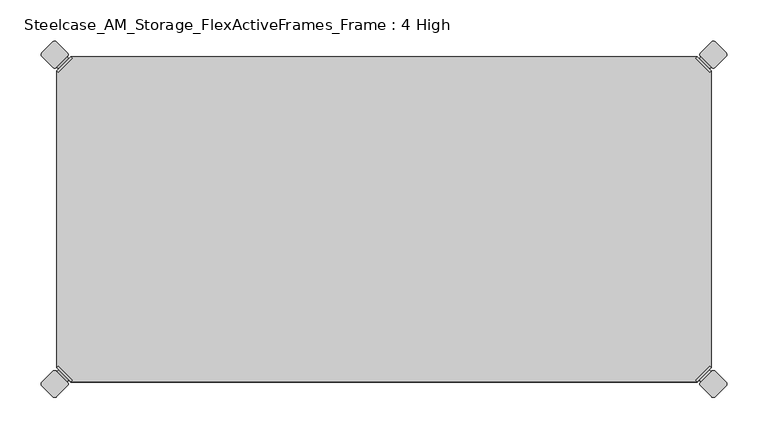
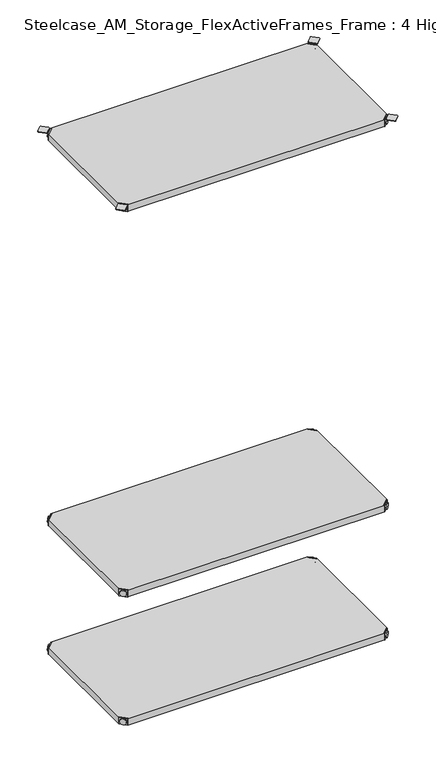
"""IFC4 building model written with IfcOpenShell, lengths in millimetres: furniture geometry, Steelcase_AM_Storage_FlexActiveFrames_Frame : 4 High."""

from ifc_helpers import new_model, si_unit, point, frame, frame_2d, origin, place, context, project, spatial, polyline, circle_curve, trimmed, segment, composite_curve, outline, extrude, source, transform, mapped, element, save
from ifc_brep_helpers import plane_surface, cylinder_surface, advanced_brep


def steelcase_am_storage_flexactiveframes_frame_4_high_809b5d3f(model_context):
    return source(origin(), model_context, "Body", "SolidModel", [
        advanced_brep(
        [(2.54, -380.2870969, 520.2936), (19.7629031, -397.51, 520.2936), (21.5589544, -395.7139488, 520.2936), (4.3360512, -378.4910456, 520.2936), (2.54, -380.2870969, 498.9576), (19.7629031, -397.51, 498.9576), (4.8652723, -382.6123691, 510.1336), (17.4376309, -395.1847277, 510.1336), (30.2920522, -352.5350447, 499.9736), (4.3360512, -378.4910456, 499.9736), (21.5589544, -395.7139488, 499.9736), (47.5149553, -369.7579478, 499.9736), (30.2920522, -352.5350447, 498.9576), (47.5149553, -369.7579478, 498.9576), (15.1227513, -397.4996073, 510.1336), (2.5503927, -384.9272487, 510.1336)],
        [
            (0, 1),
            (1, 2),
            (2, 3),
            (3, 0),
            (0, 4),
            (4, 5),
            (5, 1),
            (6, 7, circle_curve(frame((11.1514516, -388.8985484, 510.1336), z_axis=(0.7071067811865446, 0.7071067811865505, 0.0), x_axis=(-0.7071067811865505, 0.7071067811865446, 0.0)), 8.89)),
            (7, 6, circle_curve(frame((11.1514516, -388.8985484, 510.1336), z_axis=(0.7071067811865446, 0.7071067811865505, 0.0), x_axis=(-0.7071067811865505, 0.7071067811865446, 0.0)), 8.89)),
            (8, 9),
            (9, 10),
            (10, 11),
            (11, 8, circle_curve(frame((38.9035037, -361.1464963, 499.9736), z_axis=(0.0, 0.0, 1.0), x_axis=(1.0, 0.0, 0.0)), 12.1784316)),
            (12, 13, circle_curve(frame((38.9035037, -361.1464963, 498.9576), z_axis=(0.0, 0.0, -1.0), x_axis=(1.0, 0.0, 0.0)), 12.1784316)),
            (13, 5),
            (4, 12),
            (14, 15, circle_curve(frame((8.836572, -391.213428, 510.1336), z_axis=(-0.7071067811865446, -0.7071067811865505, 0.0), x_axis=(-0.7071067811865505, 0.7071067811865446, 0.0)), 8.89)),
            (15, 14, circle_curve(frame((8.836572, -391.213428, 510.1336), z_axis=(-0.7071067811865446, -0.7071067811865505, 0.0), x_axis=(-0.7071067811865505, 0.7071067811865446, 0.0)), 8.89)),
            (15, 6),
            (7, 14),
            (2, 10),
            (9, 3),
            (11, 13),
            (12, 8),
        ],
        [
            plane_surface(frame((-19.6579872, -402.485084, 520.2936), z_axis=(0.0, 0.0, 1.0000000000000002), x_axis=(0.7071067811865436, 0.7071067811865516, 0.0))),
            plane_surface(frame((19.7629031, -397.51, 520.2936), z_axis=(-0.7071067811865447, -0.7071067811865503, 0.0), x_axis=(0.0, 0.0, -1.0))),
            plane_surface(frame((51.0819353, -361.1464963, 499.9736), z_axis=(0.0, 0.0, 1.0), x_axis=(0.0, -1.0, 0.0))),
            plane_surface(frame((51.0819353, -361.1464963, 498.9576), z_axis=(0.0, 0.0, -1.0), x_axis=(0.0, 1.0, 0.0))),
            plane_surface(frame((2.5503927, -384.9272487, 510.1336), z_axis=(-0.7071067811865446, -0.7071067811865505, 0.0), x_axis=(0.0, 0.0, 1.0))),
            cylinder_surface(frame((11.1514516, -388.8985484, 510.1336), z_axis=(-0.7071067811865446, -0.7071067811865505, 0.0), x_axis=(-0.7071067811865505, 0.7071067811865446, 0.0)), 8.89),
            plane_surface(frame((4.3360512, -378.4910456, 520.2936), z_axis=(0.7071067811865447, 0.7071067811865503, 0.0), x_axis=(0.0, 0.0, -1.0))),
            cylinder_surface(frame((38.9035037, -361.1464963, 498.9576), z_axis=(0.0, 0.0, 1.0), x_axis=(1.0, 0.0, 0.0)), 12.1784316),
            plane_surface(frame((2.54, -380.2870969, 520.2936), z_axis=(-0.7071067811865516, 0.7071067811865436, 0.0), x_axis=(0.0, 0.0, -1.0))),
            plane_surface(frame((21.5589544, -395.7139488, 520.2936), z_axis=(0.7071067811865513, -0.7071067811865437, 0.0), x_axis=(0.0, 0.0, -1.0))),
        ],
        [
            (0, [[1, 2, 3, 4]]),
            (1, [[5, 6, 7, -1], [8, 9]]),
            (2, [[10, 11, 12, 13]]),
            (3, [[14, 15, -6, 16]]),
            (4, [[17, 18]]),
            (5, [[19, -9, 20, -18]]),
            (5, [[-20, -8, -19, -17]]),
            (6, [[21, -11, 22, -3]]),
            (7, [[23, -14, 24, -13]]),
            (8, [[-22, -10, -24, -16, -5, -4]]),
            (9, [[-7, -15, -23, -12, -21, -2]]),
        ],
    ),
        advanced_brep(
        [(797.56, -380.2870969, 520.2936), (795.7639488, -378.4910456, 520.2936), (778.5410456, -395.7139488, 520.2936), (780.3370969, -397.51, 520.2936), (780.3370969, -397.51, 498.9576), (797.56, -380.2870969, 498.9576), (795.2347277, -382.6123691, 510.1336), (782.6623691, -395.1847277, 510.1336), (769.8079478, -352.5350447, 499.9736), (752.5850447, -369.7579478, 499.9736), (778.5410456, -395.7139488, 499.9736), (795.7639488, -378.4910456, 499.9736), (769.8079478, -352.5350447, 498.9576), (752.5850447, -369.7579478, 498.9576), (784.9772487, -397.4996073, 510.1336), (797.5496073, -384.9272487, 510.1336)],
        [
            (0, 1),
            (1, 2),
            (2, 3),
            (3, 0),
            (3, 4),
            (4, 5),
            (5, 0),
            (6, 7, circle_curve(frame((788.9485484, -388.8985484, 510.1336), z_axis=(-0.7071067811865446, 0.7071067811865505, 0.0), x_axis=(0.7071067811865505, 0.7071067811865446, 0.0)), 8.89)),
            (7, 6, circle_curve(frame((788.9485484, -388.8985484, 510.1336), z_axis=(-0.7071067811865446, 0.7071067811865505, 0.0), x_axis=(0.7071067811865505, 0.7071067811865446, 0.0)), 8.89)),
            (8, 9, circle_curve(frame((761.1964963, -361.1464963, 499.9736), z_axis=(0.0, 0.0, 1.0), x_axis=(-1.0, 0.0, 0.0)), 12.1784316)),
            (9, 10),
            (10, 11),
            (11, 8),
            (12, 5),
            (4, 13),
            (13, 12, circle_curve(frame((761.1964963, -361.1464963, 498.9576), z_axis=(0.0, 0.0, -1.0), x_axis=(-1.0, 0.0, 0.0)), 12.1784316)),
            (14, 15, circle_curve(frame((791.263428, -391.213428, 510.1336), z_axis=(0.7071067811865446, -0.7071067811865505, 0.0), x_axis=(0.7071067811865505, 0.7071067811865446, 0.0)), 8.89)),
            (15, 14, circle_curve(frame((791.263428, -391.213428, 510.1336), z_axis=(0.7071067811865446, -0.7071067811865505, 0.0), x_axis=(0.7071067811865505, 0.7071067811865446, 0.0)), 8.89)),
            (14, 7),
            (6, 15),
            (1, 11),
            (10, 2),
            (8, 12),
            (13, 9),
        ],
        [
            plane_surface(frame((819.7579872, -402.485084, 520.2936), z_axis=(0.0, 0.0, 1.0000000000000002), x_axis=(-0.7071067811865436, 0.7071067811865516, 0.0))),
            plane_surface(frame((780.3370969, -397.51, 520.2936), z_axis=(0.7071067811865447, -0.7071067811865503, 0.0), x_axis=(0.0, 0.0, -1.0))),
            plane_surface(frame((749.0180647, -361.1464963, 499.9736), z_axis=(0.0, 0.0, 1.0), x_axis=(0.0, -1.0, 0.0))),
            plane_surface(frame((749.0180647, -361.1464963, 498.9576), z_axis=(0.0, 0.0, -1.0), x_axis=(0.0, 1.0, 0.0))),
            plane_surface(frame((797.5496073, -384.9272487, 510.1336), z_axis=(0.7071067811865446, -0.7071067811865505, 0.0), x_axis=(0.0, 0.0, 1.0))),
            cylinder_surface(frame((788.9485484, -388.8985484, 510.1336), z_axis=(0.7071067811865446, -0.7071067811865505, 0.0), x_axis=(0.7071067811865505, 0.7071067811865446, 0.0)), 8.89),
            plane_surface(frame((795.7639488, -378.4910456, 520.2936), z_axis=(-0.7071067811865447, 0.7071067811865503, 0.0), x_axis=(0.0, 0.0, -1.0))),
            cylinder_surface(frame((761.1964963, -361.1464963, 498.9576), z_axis=(0.0, 0.0, 1.0), x_axis=(-1.0, 0.0, 0.0)), 12.1784316),
            plane_surface(frame((797.56, -380.2870969, 520.2936), z_axis=(0.7071067811865516, 0.7071067811865436, 0.0), x_axis=(0.0, 0.0, -1.0))),
            plane_surface(frame((778.5410456, -395.7139488, 520.2936), z_axis=(-0.7071067811865513, -0.7071067811865437, 0.0), x_axis=(0.0, 0.0, -1.0))),
        ],
        [
            (0, [[1, 2, 3, 4]]),
            (1, [[-4, 5, 6, 7], [8, 9]]),
            (2, [[10, 11, 12, 13]]),
            (3, [[14, -6, 15, 16]]),
            (4, [[17, 18]]),
            (5, [[-17, 19, -8, 20]]),
            (5, [[-18, -20, -9, -19]]),
            (6, [[-2, 21, -12, 22]]),
            (7, [[-10, 23, -16, 24]]),
            (8, [[-1, -7, -14, -23, -13, -21]]),
            (9, [[-3, -22, -11, -24, -15, -5]]),
        ],
    ),
        advanced_brep(
        [(797.56, -19.7629031, 520.2936), (780.3370969, -2.54, 520.2936), (778.5410456, -4.3360512, 520.2936), (795.7639488, -21.5589544, 520.2936), (797.56, -19.7629031, 498.9576), (780.3370969, -2.54, 498.9576), (795.2347277, -17.4376309, 510.1336), (782.6623691, -4.8652723, 510.1336), (769.8079478, -47.5149553, 499.9736), (795.7639488, -21.5589544, 499.9736), (778.5410456, -4.3360512, 499.9736), (752.5850447, -30.2920522, 499.9736), (769.8079478, -47.5149553, 498.9576), (752.5850447, -30.2920522, 498.9576), (784.9772487, -2.5503927, 510.1336), (797.5496073, -15.1227513, 510.1336)],
        [
            (0, 1),
            (1, 2),
            (2, 3),
            (3, 0),
            (0, 4),
            (4, 5),
            (5, 1),
            (6, 7, circle_curve(frame((788.9485484, -11.1514516, 510.1336), z_axis=(-0.7071067811865469, -0.7071067811865481, 0.0), x_axis=(0.7071067811865481, -0.7071067811865469, 0.0)), 8.89)),
            (7, 6, circle_curve(frame((788.9485484, -11.1514516, 510.1336), z_axis=(-0.7071067811865469, -0.7071067811865481, 0.0), x_axis=(0.7071067811865481, -0.7071067811865469, 0.0)), 8.89)),
            (8, 9),
            (9, 10),
            (10, 11),
            (11, 8, circle_curve(frame((761.1964963, -38.9035037, 499.9736), z_axis=(0.0, 0.0, 1.0), x_axis=(-1.0, 0.0, 0.0)), 12.1784316)),
            (12, 13, circle_curve(frame((761.1964963, -38.9035037, 498.9576), z_axis=(0.0, 0.0, -1.0), x_axis=(-1.0, 0.0, 0.0)), 12.1784316)),
            (13, 5),
            (4, 12),
            (14, 15, circle_curve(frame((791.263428, -8.836572, 510.1336), z_axis=(0.7071067811865469, 0.7071067811865481, 0.0), x_axis=(0.7071067811865481, -0.7071067811865469, 0.0)), 8.89)),
            (15, 14, circle_curve(frame((791.263428, -8.836572, 510.1336), z_axis=(0.7071067811865469, 0.7071067811865481, 0.0), x_axis=(0.7071067811865481, -0.7071067811865469, 0.0)), 8.89)),
            (15, 6),
            (7, 14),
            (2, 10),
            (9, 3),
            (11, 13),
            (12, 8),
        ],
        [
            plane_surface(frame((819.7579872, 2.435084, 520.2936), z_axis=(0.0, 0.0, 1.0000000000000002), x_axis=(-0.7071067811865459, -0.7071067811865492, 0.0))),
            plane_surface(frame((780.3370969, -2.54, 520.2936), z_axis=(0.707106781186547, 0.707106781186548, 0.0), x_axis=(0.0, 0.0, -1.0))),
            plane_surface(frame((749.0180647, -38.9035037, 499.9736), z_axis=(0.0, 0.0, 1.0), x_axis=(0.0, 1.0, 0.0))),
            plane_surface(frame((749.0180647, -38.9035037, 498.9576), z_axis=(0.0, 0.0, -1.0), x_axis=(0.0, -1.0, 0.0))),
            plane_surface(frame((797.5496073, -15.1227513, 510.1336), z_axis=(0.7071067811865469, 0.7071067811865481, 0.0), x_axis=(0.0, 0.0, 1.0))),
            cylinder_surface(frame((788.9485484, -11.1514516, 510.1336), z_axis=(0.7071067811865469, 0.7071067811865481, 0.0), x_axis=(0.7071067811865481, -0.7071067811865469, 0.0)), 8.89),
            plane_surface(frame((795.7639488, -21.5589544, 520.2936), z_axis=(-0.707106781186547, -0.707106781186548, 0.0), x_axis=(0.0, 0.0, -1.0))),
            cylinder_surface(frame((761.1964963, -38.9035037, 498.9576), z_axis=(0.0, 0.0, 1.0), x_axis=(-1.0, 0.0, 0.0)), 12.1784316),
            plane_surface(frame((797.56, -19.7629031, 520.2936), z_axis=(0.7071067811865492, -0.7071067811865459, 0.0), x_axis=(0.0, 0.0, -1.0))),
            plane_surface(frame((778.5410456, -4.3360512, 520.2936), z_axis=(-0.707106781186549, 0.707106781186546, 0.0), x_axis=(0.0, 0.0, -1.0))),
        ],
        [
            (0, [[1, 2, 3, 4]]),
            (1, [[5, 6, 7, -1], [8, 9]]),
            (2, [[10, 11, 12, 13]]),
            (3, [[14, 15, -6, 16]]),
            (4, [[17, 18]]),
            (5, [[19, -9, 20, -18]]),
            (5, [[-20, -8, -19, -17]]),
            (6, [[21, -11, 22, -3]]),
            (7, [[23, -14, 24, -13]]),
            (8, [[-22, -10, -24, -16, -5, -4]]),
            (9, [[-7, -15, -23, -12, -21, -2]]),
        ],
    ),
        advanced_brep(
        [(2.54, -19.7629031, 520.2936), (4.3360512, -21.5589544, 520.2936), (21.5589544, -4.3360512, 520.2936), (19.7629031, -2.54, 520.2936), (19.7629031, -2.54, 498.9576), (2.54, -19.7629031, 498.9576), (4.8652723, -17.4376309, 510.1336), (17.4376309, -4.8652723, 510.1336), (30.2920522, -47.5149553, 499.9736), (47.5149553, -30.2920522, 499.9736), (21.5589544, -4.3360512, 499.9736), (4.3360512, -21.5589544, 499.9736), (30.2920522, -47.5149553, 498.9576), (47.5149553, -30.2920522, 498.9576), (15.1227513, -2.5503927, 510.1336), (2.5503927, -15.1227513, 510.1336)],
        [
            (0, 1),
            (1, 2),
            (2, 3),
            (3, 0),
            (3, 4),
            (4, 5),
            (5, 0),
            (6, 7, circle_curve(frame((11.1514516, -11.1514516, 510.1336), z_axis=(0.7071067811865469, -0.7071067811865481, 0.0), x_axis=(-0.7071067811865481, -0.7071067811865469, 0.0)), 8.89)),
            (7, 6, circle_curve(frame((11.1514516, -11.1514516, 510.1336), z_axis=(0.7071067811865469, -0.7071067811865481, 0.0), x_axis=(-0.7071067811865481, -0.7071067811865469, 0.0)), 8.89)),
            (8, 9, circle_curve(frame((38.9035037, -38.9035037, 499.9736), z_axis=(0.0, 0.0, 1.0), x_axis=(1.0, 0.0, 0.0)), 12.1784316)),
            (9, 10),
            (10, 11),
            (11, 8),
            (12, 5),
            (4, 13),
            (13, 12, circle_curve(frame((38.9035037, -38.9035037, 498.9576), z_axis=(0.0, 0.0, -1.0), x_axis=(1.0, 0.0, 0.0)), 12.1784316)),
            (14, 15, circle_curve(frame((8.836572, -8.836572, 510.1336), z_axis=(-0.7071067811865469, 0.7071067811865481, 0.0), x_axis=(-0.7071067811865481, -0.7071067811865469, 0.0)), 8.89)),
            (15, 14, circle_curve(frame((8.836572, -8.836572, 510.1336), z_axis=(-0.7071067811865469, 0.7071067811865481, 0.0), x_axis=(-0.7071067811865481, -0.7071067811865469, 0.0)), 8.89)),
            (14, 7),
            (6, 15),
            (1, 11),
            (10, 2),
            (8, 12),
            (13, 9),
        ],
        [
            plane_surface(frame((-19.6579872, 2.435084, 520.2936), z_axis=(0.0, 0.0, 1.0000000000000002), x_axis=(0.7071067811865459, -0.7071067811865492, 0.0))),
            plane_surface(frame((19.7629031, -2.54, 520.2936), z_axis=(-0.707106781186547, 0.707106781186548, 0.0), x_axis=(0.0, 0.0, -1.0))),
            plane_surface(frame((51.0819353, -38.9035037, 499.9736), z_axis=(0.0, 0.0, 1.0), x_axis=(0.0, 1.0, 0.0))),
            plane_surface(frame((51.0819353, -38.9035037, 498.9576), z_axis=(0.0, 0.0, -1.0), x_axis=(0.0, -1.0, 0.0))),
            plane_surface(frame((2.5503927, -15.1227513, 510.1336), z_axis=(-0.7071067811865469, 0.7071067811865481, 0.0), x_axis=(0.0, 0.0, 1.0))),
            cylinder_surface(frame((11.1514516, -11.1514516, 510.1336), z_axis=(-0.7071067811865469, 0.7071067811865481, 0.0), x_axis=(-0.7071067811865481, -0.7071067811865469, 0.0)), 8.89),
            plane_surface(frame((4.3360512, -21.5589544, 520.2936), z_axis=(0.707106781186547, -0.707106781186548, 0.0), x_axis=(0.0, 0.0, -1.0))),
            cylinder_surface(frame((38.9035037, -38.9035037, 498.9576), z_axis=(0.0, 0.0, 1.0), x_axis=(1.0, 0.0, 0.0)), 12.1784316),
            plane_surface(frame((2.54, -19.7629031, 520.2936), z_axis=(-0.7071067811865492, -0.7071067811865459, 0.0), x_axis=(0.0, 0.0, -1.0))),
            plane_surface(frame((21.5589544, -4.3360512, 520.2936), z_axis=(0.707106781186549, 0.707106781186546, 0.0), x_axis=(0.0, 0.0, -1.0))),
        ],
        [
            (0, [[1, 2, 3, 4]]),
            (1, [[-4, 5, 6, 7], [8, 9]]),
            (2, [[10, 11, 12, 13]]),
            (3, [[14, -6, 15, 16]]),
            (4, [[17, 18]]),
            (5, [[-17, 19, -8, 20]]),
            (5, [[-18, -20, -9, -19]]),
            (6, [[-2, 21, -12, 22]]),
            (7, [[-10, 23, -16, 24]]),
            (8, [[-1, -7, -14, -23, -13, -21]]),
            (9, [[-3, -22, -11, -24, -15, -5]]),
        ],
    ),
        extrude(outline(polyline([(19.7629031, -2.54), (780.3370969, -2.54), (778.5410456, -4.3360512), (795.7639488, -21.5589544), (797.56, -19.7629031), (797.56, -380.2870969), (795.7639488, -378.4910456), (778.5410456, -395.7139488), (780.3370969, -397.51), (19.7629031, -397.51), (21.5589544, -395.7139488), (4.3360512, -378.4910456), (2.54, -380.2870969), (2.54, -19.7629031), (4.3360512, -21.5589544), (21.5589544, -4.3360512), (19.7629031, -2.54)])), frame((0.0, 0.0, 499.9736), z_axis=(0.0, 0.0, 1.0), x_axis=(1.0, 0.0, 0.0)), (0.0, 0.0, 1.0), 20.32),
        advanced_brep(
        [(2.54, -380.2870969, 1725.93), (19.7629031, -397.51, 1725.93), (21.5589544, -395.7139488, 1725.93), (4.3360512, -378.4910456, 1725.93), (2.54, -380.2870969, 1704.594), (19.7629031, -397.51, 1704.594), (4.8652723, -382.6123691, 1715.77), (17.4376309, -395.1847277, 1715.77), (30.2920522, -352.5350447, 1705.61), (4.3360512, -378.4910456, 1705.61), (21.5589544, -395.7139488, 1705.61), (47.5149553, -369.7579478, 1705.61), (30.2920522, -352.5350447, 1704.594), (47.5149553, -369.7579478, 1704.594), (15.1227513, -397.4996073, 1715.77), (2.5503927, -384.9272487, 1715.77)],
        [
            (0, 1),
            (1, 2),
            (2, 3),
            (3, 0),
            (0, 4),
            (4, 5),
            (5, 1),
            (6, 7, circle_curve(frame((11.1514516, -388.8985484, 1715.77), z_axis=(0.7071067811865446, 0.7071067811865505, 0.0), x_axis=(-0.7071067811865505, 0.7071067811865446, 0.0)), 8.89)),
            (7, 6, circle_curve(frame((11.1514516, -388.8985484, 1715.77), z_axis=(0.7071067811865446, 0.7071067811865505, 0.0), x_axis=(-0.7071067811865505, 0.7071067811865446, 0.0)), 8.89)),
            (8, 9),
            (9, 10),
            (10, 11),
            (11, 8, circle_curve(frame((38.9035037, -361.1464963, 1705.61), z_axis=(0.0, 0.0, 1.0), x_axis=(1.0, 0.0, 0.0)), 12.1784316)),
            (12, 13, circle_curve(frame((38.9035037, -361.1464963, 1704.594), z_axis=(0.0, 0.0, -1.0), x_axis=(1.0, 0.0, 0.0)), 12.1784316)),
            (13, 5),
            (4, 12),
            (14, 15, circle_curve(frame((8.836572, -391.213428, 1715.77), z_axis=(-0.7071067811865446, -0.7071067811865505, 0.0), x_axis=(-0.7071067811865505, 0.7071067811865446, 0.0)), 8.89)),
            (15, 14, circle_curve(frame((8.836572, -391.213428, 1715.77), z_axis=(-0.7071067811865446, -0.7071067811865505, 0.0), x_axis=(-0.7071067811865505, 0.7071067811865446, 0.0)), 8.89)),
            (15, 6),
            (7, 14),
            (2, 10),
            (9, 3),
            (11, 13),
            (12, 8),
        ],
        [
            plane_surface(frame((-19.6579872, -402.485084, 1725.93), z_axis=(0.0, 0.0, 1.0000000000000002), x_axis=(0.7071067811865436, 0.7071067811865516, 0.0))),
            plane_surface(frame((19.7629031, -397.51, 1725.93), z_axis=(-0.7071067811865447, -0.7071067811865503, 0.0), x_axis=(0.0, 0.0, -1.0))),
            plane_surface(frame((51.0819353, -361.1464963, 1705.61), z_axis=(0.0, 0.0, 1.0), x_axis=(0.0, -1.0, 0.0))),
            plane_surface(frame((51.0819353, -361.1464963, 1704.594), z_axis=(0.0, 0.0, -1.0), x_axis=(0.0, 1.0, 0.0))),
            plane_surface(frame((2.5503927, -384.9272487, 1715.77), z_axis=(-0.7071067811865446, -0.7071067811865505, 0.0), x_axis=(0.0, 0.0, 1.0))),
            cylinder_surface(frame((11.1514516, -388.8985484, 1715.77), z_axis=(-0.7071067811865446, -0.7071067811865505, 0.0), x_axis=(-0.7071067811865505, 0.7071067811865446, 0.0)), 8.89),
            plane_surface(frame((4.3360512, -378.4910456, 1725.93), z_axis=(0.7071067811865447, 0.7071067811865503, 0.0), x_axis=(0.0, 0.0, -1.0))),
            cylinder_surface(frame((38.9035037, -361.1464963, 1704.594), z_axis=(0.0, 0.0, 1.0), x_axis=(1.0, 0.0, 0.0)), 12.1784316),
            plane_surface(frame((2.54, -380.2870969, 1725.93), z_axis=(-0.7071067811865516, 0.7071067811865436, 0.0), x_axis=(0.0, 0.0, -1.0))),
            plane_surface(frame((21.5589544, -395.7139488, 1725.93), z_axis=(0.7071067811865513, -0.7071067811865437, 0.0), x_axis=(0.0, 0.0, -1.0))),
        ],
        [
            (0, [[1, 2, 3, 4]]),
            (1, [[5, 6, 7, -1], [8, 9]]),
            (2, [[10, 11, 12, 13]]),
            (3, [[14, 15, -6, 16]]),
            (4, [[17, 18]]),
            (5, [[19, -9, 20, -18]]),
            (5, [[-20, -8, -19, -17]]),
            (6, [[21, -11, 22, -3]]),
            (7, [[23, -14, 24, -13]]),
            (8, [[-22, -10, -24, -16, -5, -4]]),
            (9, [[-7, -15, -23, -12, -21, -2]]),
        ],
    ),
        advanced_brep(
        [(797.56, -380.2870969, 1725.93), (795.7639488, -378.4910456, 1725.93), (778.5410456, -395.7139488, 1725.93), (780.3370969, -397.51, 1725.93), (780.3370969, -397.51, 1704.594), (797.56, -380.2870969, 1704.594), (795.2347277, -382.6123691, 1715.77), (782.6623691, -395.1847277, 1715.77), (769.8079478, -352.5350447, 1705.61), (752.5850447, -369.7579478, 1705.61), (778.5410456, -395.7139488, 1705.61), (795.7639488, -378.4910456, 1705.61), (769.8079478, -352.5350447, 1704.594), (752.5850447, -369.7579478, 1704.594), (784.9772487, -397.4996073, 1715.77), (797.5496073, -384.9272487, 1715.77)],
        [
            (0, 1),
            (1, 2),
            (2, 3),
            (3, 0),
            (3, 4),
            (4, 5),
            (5, 0),
            (6, 7, circle_curve(frame((788.9485484, -388.8985484, 1715.77), z_axis=(-0.7071067811865446, 0.7071067811865505, 0.0), x_axis=(0.7071067811865505, 0.7071067811865446, 0.0)), 8.89)),
            (7, 6, circle_curve(frame((788.9485484, -388.8985484, 1715.77), z_axis=(-0.7071067811865446, 0.7071067811865505, 0.0), x_axis=(0.7071067811865505, 0.7071067811865446, 0.0)), 8.89)),
            (8, 9, circle_curve(frame((761.1964963, -361.1464963, 1705.61), z_axis=(0.0, 0.0, 1.0), x_axis=(-1.0, 0.0, 0.0)), 12.1784316)),
            (9, 10),
            (10, 11),
            (11, 8),
            (12, 5),
            (4, 13),
            (13, 12, circle_curve(frame((761.1964963, -361.1464963, 1704.594), z_axis=(0.0, 0.0, -1.0), x_axis=(-1.0, 0.0, 0.0)), 12.1784316)),
            (14, 15, circle_curve(frame((791.263428, -391.213428, 1715.77), z_axis=(0.7071067811865446, -0.7071067811865505, 0.0), x_axis=(0.7071067811865505, 0.7071067811865446, 0.0)), 8.89)),
            (15, 14, circle_curve(frame((791.263428, -391.213428, 1715.77), z_axis=(0.7071067811865446, -0.7071067811865505, 0.0), x_axis=(0.7071067811865505, 0.7071067811865446, 0.0)), 8.89)),
            (14, 7),
            (6, 15),
            (1, 11),
            (10, 2),
            (8, 12),
            (13, 9),
        ],
        [
            plane_surface(frame((819.7579872, -402.485084, 1725.93), z_axis=(0.0, 0.0, 1.0000000000000002), x_axis=(-0.7071067811865436, 0.7071067811865516, 0.0))),
            plane_surface(frame((780.3370969, -397.51, 1725.93), z_axis=(0.7071067811865447, -0.7071067811865503, 0.0), x_axis=(0.0, 0.0, -1.0))),
            plane_surface(frame((749.0180647, -361.1464963, 1705.61), z_axis=(0.0, 0.0, 1.0), x_axis=(0.0, -1.0, 0.0))),
            plane_surface(frame((749.0180647, -361.1464963, 1704.594), z_axis=(0.0, 0.0, -1.0), x_axis=(0.0, 1.0, 0.0))),
            plane_surface(frame((797.5496073, -384.9272487, 1715.77), z_axis=(0.7071067811865446, -0.7071067811865505, 0.0), x_axis=(0.0, 0.0, 1.0))),
            cylinder_surface(frame((788.9485484, -388.8985484, 1715.77), z_axis=(0.7071067811865446, -0.7071067811865505, 0.0), x_axis=(0.7071067811865505, 0.7071067811865446, 0.0)), 8.89),
            plane_surface(frame((795.7639488, -378.4910456, 1725.93), z_axis=(-0.7071067811865447, 0.7071067811865503, 0.0), x_axis=(0.0, 0.0, -1.0))),
            cylinder_surface(frame((761.1964963, -361.1464963, 1704.594), z_axis=(0.0, 0.0, 1.0), x_axis=(-1.0, 0.0, 0.0)), 12.1784316),
            plane_surface(frame((797.56, -380.2870969, 1725.93), z_axis=(0.7071067811865516, 0.7071067811865436, 0.0), x_axis=(0.0, 0.0, -1.0))),
            plane_surface(frame((778.5410456, -395.7139488, 1725.93), z_axis=(-0.7071067811865513, -0.7071067811865437, 0.0), x_axis=(0.0, 0.0, -1.0))),
        ],
        [
            (0, [[1, 2, 3, 4]]),
            (1, [[-4, 5, 6, 7], [8, 9]]),
            (2, [[10, 11, 12, 13]]),
            (3, [[14, -6, 15, 16]]),
            (4, [[17, 18]]),
            (5, [[-17, 19, -8, 20]]),
            (5, [[-18, -20, -9, -19]]),
            (6, [[-2, 21, -12, 22]]),
            (7, [[-10, 23, -16, 24]]),
            (8, [[-1, -7, -14, -23, -13, -21]]),
            (9, [[-3, -22, -11, -24, -15, -5]]),
        ],
    ),
        advanced_brep(
        [(797.56, -19.7629031, 1725.93), (780.3370969, -2.54, 1725.93), (778.5410456, -4.3360512, 1725.93), (795.7639488, -21.5589544, 1725.93), (797.56, -19.7629031, 1704.594), (780.3370969, -2.54, 1704.594), (795.2347277, -17.4376309, 1715.77), (782.6623691, -4.8652723, 1715.77), (769.8079478, -47.5149553, 1705.61), (795.7639488, -21.5589544, 1705.61), (778.5410456, -4.3360512, 1705.61), (752.5850447, -30.2920522, 1705.61), (769.8079478, -47.5149553, 1704.594), (752.5850447, -30.2920522, 1704.594), (784.9772487, -2.5503927, 1715.77), (797.5496073, -15.1227513, 1715.77)],
        [
            (0, 1),
            (1, 2),
            (2, 3),
            (3, 0),
            (0, 4),
            (4, 5),
            (5, 1),
            (6, 7, circle_curve(frame((788.9485484, -11.1514516, 1715.77), z_axis=(-0.7071067811865469, -0.7071067811865481, 0.0), x_axis=(0.7071067811865481, -0.7071067811865469, 0.0)), 8.89)),
            (7, 6, circle_curve(frame((788.9485484, -11.1514516, 1715.77), z_axis=(-0.7071067811865469, -0.7071067811865481, 0.0), x_axis=(0.7071067811865481, -0.7071067811865469, 0.0)), 8.89)),
            (8, 9),
            (9, 10),
            (10, 11),
            (11, 8, circle_curve(frame((761.1964963, -38.9035037, 1705.61), z_axis=(0.0, 0.0, 1.0), x_axis=(-1.0, 0.0, 0.0)), 12.1784316)),
            (12, 13, circle_curve(frame((761.1964963, -38.9035037, 1704.594), z_axis=(0.0, 0.0, -1.0), x_axis=(-1.0, 0.0, 0.0)), 12.1784316)),
            (13, 5),
            (4, 12),
            (14, 15, circle_curve(frame((791.263428, -8.836572, 1715.77), z_axis=(0.7071067811865469, 0.7071067811865481, 0.0), x_axis=(0.7071067811865481, -0.7071067811865469, 0.0)), 8.89)),
            (15, 14, circle_curve(frame((791.263428, -8.836572, 1715.77), z_axis=(0.7071067811865469, 0.7071067811865481, 0.0), x_axis=(0.7071067811865481, -0.7071067811865469, 0.0)), 8.89)),
            (15, 6),
            (7, 14),
            (2, 10),
            (9, 3),
            (11, 13),
            (12, 8),
        ],
        [
            plane_surface(frame((819.7579872, 2.435084, 1725.93), z_axis=(0.0, 0.0, 1.0000000000000002), x_axis=(-0.7071067811865459, -0.7071067811865492, 0.0))),
            plane_surface(frame((780.3370969, -2.54, 1725.93), z_axis=(0.707106781186547, 0.707106781186548, 0.0), x_axis=(0.0, 0.0, -1.0))),
            plane_surface(frame((749.0180647, -38.9035037, 1705.61), z_axis=(0.0, 0.0, 1.0), x_axis=(0.0, 1.0, 0.0))),
            plane_surface(frame((749.0180647, -38.9035037, 1704.594), z_axis=(0.0, 0.0, -1.0), x_axis=(0.0, -1.0, 0.0))),
            plane_surface(frame((797.5496073, -15.1227513, 1715.77), z_axis=(0.7071067811865469, 0.7071067811865481, 0.0), x_axis=(0.0, 0.0, 1.0))),
            cylinder_surface(frame((788.9485484, -11.1514516, 1715.77), z_axis=(0.7071067811865469, 0.7071067811865481, 0.0), x_axis=(0.7071067811865481, -0.7071067811865469, 0.0)), 8.89),
            plane_surface(frame((795.7639488, -21.5589544, 1725.93), z_axis=(-0.707106781186547, -0.707106781186548, 0.0), x_axis=(0.0, 0.0, -1.0))),
            cylinder_surface(frame((761.1964963, -38.9035037, 1704.594), z_axis=(0.0, 0.0, 1.0), x_axis=(-1.0, 0.0, 0.0)), 12.1784316),
            plane_surface(frame((797.56, -19.7629031, 1725.93), z_axis=(0.7071067811865492, -0.7071067811865459, 0.0), x_axis=(0.0, 0.0, -1.0))),
            plane_surface(frame((778.5410456, -4.3360512, 1725.93), z_axis=(-0.707106781186549, 0.707106781186546, 0.0), x_axis=(0.0, 0.0, -1.0))),
        ],
        [
            (0, [[1, 2, 3, 4]]),
            (1, [[5, 6, 7, -1], [8, 9]]),
            (2, [[10, 11, 12, 13]]),
            (3, [[14, 15, -6, 16]]),
            (4, [[17, 18]]),
            (5, [[19, -9, 20, -18]]),
            (5, [[-20, -8, -19, -17]]),
            (6, [[21, -11, 22, -3]]),
            (7, [[23, -14, 24, -13]]),
            (8, [[-22, -10, -24, -16, -5, -4]]),
            (9, [[-7, -15, -23, -12, -21, -2]]),
        ],
    ),
        advanced_brep(
        [(2.54, -19.7629031, 1725.93), (4.3360512, -21.5589544, 1725.93), (21.5589544, -4.3360512, 1725.93), (19.7629031, -2.54, 1725.93), (19.7629031, -2.54, 1704.594), (2.54, -19.7629031, 1704.594), (4.8652723, -17.4376309, 1715.77), (17.4376309, -4.8652723, 1715.77), (30.2920522, -47.5149553, 1705.61), (47.5149553, -30.2920522, 1705.61), (21.5589544, -4.3360512, 1705.61), (4.3360512, -21.5589544, 1705.61), (30.2920522, -47.5149553, 1704.594), (47.5149553, -30.2920522, 1704.594), (15.1227513, -2.5503927, 1715.77), (2.5503927, -15.1227513, 1715.77)],
        [
            (0, 1),
            (1, 2),
            (2, 3),
            (3, 0),
            (3, 4),
            (4, 5),
            (5, 0),
            (6, 7, circle_curve(frame((11.1514516, -11.1514516, 1715.77), z_axis=(0.7071067811865469, -0.7071067811865481, 0.0), x_axis=(-0.7071067811865481, -0.7071067811865469, 0.0)), 8.89)),
            (7, 6, circle_curve(frame((11.1514516, -11.1514516, 1715.77), z_axis=(0.7071067811865469, -0.7071067811865481, 0.0), x_axis=(-0.7071067811865481, -0.7071067811865469, 0.0)), 8.89)),
            (8, 9, circle_curve(frame((38.9035037, -38.9035037, 1705.61), z_axis=(0.0, 0.0, 1.0), x_axis=(1.0, 0.0, 0.0)), 12.1784316)),
            (9, 10),
            (10, 11),
            (11, 8),
            (12, 5),
            (4, 13),
            (13, 12, circle_curve(frame((38.9035037, -38.9035037, 1704.594), z_axis=(0.0, 0.0, -1.0), x_axis=(1.0, 0.0, 0.0)), 12.1784316)),
            (14, 15, circle_curve(frame((8.836572, -8.836572, 1715.77), z_axis=(-0.7071067811865469, 0.7071067811865481, 0.0), x_axis=(-0.7071067811865481, -0.7071067811865469, 0.0)), 8.89)),
            (15, 14, circle_curve(frame((8.836572, -8.836572, 1715.77), z_axis=(-0.7071067811865469, 0.7071067811865481, 0.0), x_axis=(-0.7071067811865481, -0.7071067811865469, 0.0)), 8.89)),
            (14, 7),
            (6, 15),
            (1, 11),
            (10, 2),
            (8, 12),
            (13, 9),
        ],
        [
            plane_surface(frame((-19.6579872, 2.435084, 1725.93), z_axis=(0.0, 0.0, 1.0000000000000002), x_axis=(0.7071067811865459, -0.7071067811865492, 0.0))),
            plane_surface(frame((19.7629031, -2.54, 1725.93), z_axis=(-0.707106781186547, 0.707106781186548, 0.0), x_axis=(0.0, 0.0, -1.0))),
            plane_surface(frame((51.0819353, -38.9035037, 1705.61), z_axis=(0.0, 0.0, 1.0), x_axis=(0.0, 1.0, 0.0))),
            plane_surface(frame((51.0819353, -38.9035037, 1704.594), z_axis=(0.0, 0.0, -1.0), x_axis=(0.0, -1.0, 0.0))),
            plane_surface(frame((2.5503927, -15.1227513, 1715.77), z_axis=(-0.7071067811865469, 0.7071067811865481, 0.0), x_axis=(0.0, 0.0, 1.0))),
            cylinder_surface(frame((11.1514516, -11.1514516, 1715.77), z_axis=(-0.7071067811865469, 0.7071067811865481, 0.0), x_axis=(-0.7071067811865481, -0.7071067811865469, 0.0)), 8.89),
            plane_surface(frame((4.3360512, -21.5589544, 1725.93), z_axis=(0.707106781186547, -0.707106781186548, 0.0), x_axis=(0.0, 0.0, -1.0))),
            cylinder_surface(frame((38.9035037, -38.9035037, 1704.594), z_axis=(0.0, 0.0, 1.0), x_axis=(1.0, 0.0, 0.0)), 12.1784316),
            plane_surface(frame((2.54, -19.7629031, 1725.93), z_axis=(-0.7071067811865492, -0.7071067811865459, 0.0), x_axis=(0.0, 0.0, -1.0))),
            plane_surface(frame((21.5589544, -4.3360512, 1725.93), z_axis=(0.707106781186549, 0.707106781186546, 0.0), x_axis=(0.0, 0.0, -1.0))),
        ],
        [
            (0, [[1, 2, 3, 4]]),
            (1, [[-4, 5, 6, 7], [8, 9]]),
            (2, [[10, 11, 12, 13]]),
            (3, [[14, -6, 15, 16]]),
            (4, [[17, 18]]),
            (5, [[-17, 19, -8, 20]]),
            (5, [[-18, -20, -9, -19]]),
            (6, [[-2, 21, -12, 22]]),
            (7, [[-10, 23, -16, 24]]),
            (8, [[-1, -7, -14, -23, -13, -21]]),
            (9, [[-3, -22, -11, -24, -15, -5]]),
        ],
    ),
        extrude(outline(polyline([(19.7629031, -2.54), (780.3370969, -2.54), (778.5410456, -4.3360512), (795.7639488, -21.5589544), (797.56, -19.7629031), (797.56, -380.2870969), (795.7639488, -378.4910456), (778.5410456, -395.7139488), (780.3370969, -397.51), (19.7629031, -397.51), (21.5589544, -395.7139488), (4.3360512, -378.4910456), (2.54, -380.2870969), (2.54, -19.7629031), (4.3360512, -21.5589544), (21.5589544, -4.3360512), (19.7629031, -2.54)])), frame((0.0, 0.0, 1705.61), z_axis=(0.0, 0.0, 1.0), x_axis=(1.0, 0.0, 0.0)), (0.0, 0.0, 1.0), 20.32),
        advanced_brep(
        [(2.54, -380.2870969, 118.9736), (19.7629031, -397.51, 118.9736), (21.5589544, -395.7139488, 118.9736), (4.3360512, -378.4910456, 118.9736), (2.54, -380.2870969, 97.6376), (19.7629031, -397.51, 97.6376), (4.8652723, -382.6123691, 108.8136), (17.4376309, -395.1847277, 108.8136), (30.2920522, -352.5350447, 98.6536), (4.3360512, -378.4910456, 98.6536), (21.5589544, -395.7139488, 98.6536), (47.5149553, -369.7579478, 98.6536), (30.2920522, -352.5350447, 97.6376), (47.5149553, -369.7579478, 97.6376), (15.1227513, -397.4996073, 108.8136), (2.5503927, -384.9272487, 108.8136)],
        [
            (0, 1),
            (1, 2),
            (2, 3),
            (3, 0),
            (0, 4),
            (4, 5),
            (5, 1),
            (6, 7, circle_curve(frame((11.1514516, -388.8985484, 108.8136), z_axis=(0.7071067811865446, 0.7071067811865505, 0.0), x_axis=(-0.7071067811865505, 0.7071067811865446, 0.0)), 8.89)),
            (7, 6, circle_curve(frame((11.1514516, -388.8985484, 108.8136), z_axis=(0.7071067811865446, 0.7071067811865505, 0.0), x_axis=(-0.7071067811865505, 0.7071067811865446, 0.0)), 8.89)),
            (8, 9),
            (9, 10),
            (10, 11),
            (11, 8, circle_curve(frame((38.9035037, -361.1464963, 98.6536), z_axis=(0.0, 0.0, 1.0), x_axis=(1.0, 0.0, 0.0)), 12.1784316)),
            (12, 13, circle_curve(frame((38.9035037, -361.1464963, 97.6376), z_axis=(0.0, 0.0, -1.0), x_axis=(1.0, 0.0, 0.0)), 12.1784316)),
            (13, 5),
            (4, 12),
            (14, 15, circle_curve(frame((8.836572, -391.213428, 108.8136), z_axis=(-0.7071067811865446, -0.7071067811865505, 0.0), x_axis=(-0.7071067811865505, 0.7071067811865446, 0.0)), 8.89)),
            (15, 14, circle_curve(frame((8.836572, -391.213428, 108.8136), z_axis=(-0.7071067811865446, -0.7071067811865505, 0.0), x_axis=(-0.7071067811865505, 0.7071067811865446, 0.0)), 8.89)),
            (15, 6),
            (7, 14),
            (2, 10),
            (9, 3),
            (11, 13),
            (12, 8),
        ],
        [
            plane_surface(frame((-19.6579872, -402.485084, 118.9736), z_axis=(0.0, 0.0, 1.0000000000000002), x_axis=(0.7071067811865436, 0.7071067811865516, 0.0))),
            plane_surface(frame((19.7629031, -397.51, 118.9736), z_axis=(-0.7071067811865447, -0.7071067811865503, 0.0), x_axis=(0.0, 0.0, -1.0))),
            plane_surface(frame((51.0819353, -361.1464963, 98.6536), z_axis=(0.0, 0.0, 1.0), x_axis=(0.0, -1.0, 0.0))),
            plane_surface(frame((51.0819353, -361.1464963, 97.6376), z_axis=(0.0, 0.0, -1.0), x_axis=(0.0, 1.0, 0.0))),
            plane_surface(frame((2.5503927, -384.9272487, 108.8136), z_axis=(-0.7071067811865446, -0.7071067811865505, 0.0), x_axis=(0.0, 0.0, 1.0))),
            cylinder_surface(frame((11.1514516, -388.8985484, 108.8136), z_axis=(-0.7071067811865446, -0.7071067811865505, 0.0), x_axis=(-0.7071067811865505, 0.7071067811865446, 0.0)), 8.89),
            plane_surface(frame((4.3360512, -378.4910456, 118.9736), z_axis=(0.7071067811865447, 0.7071067811865503, 0.0), x_axis=(0.0, 0.0, -1.0))),
            cylinder_surface(frame((38.9035037, -361.1464963, 97.6376), z_axis=(0.0, 0.0, 1.0), x_axis=(1.0, 0.0, 0.0)), 12.1784316),
            plane_surface(frame((2.54, -380.2870969, 118.9736), z_axis=(-0.7071067811865516, 0.7071067811865436, 0.0), x_axis=(0.0, 0.0, -1.0))),
            plane_surface(frame((21.5589544, -395.7139488, 118.9736), z_axis=(0.7071067811865513, -0.7071067811865437, 0.0), x_axis=(0.0, 0.0, -1.0))),
        ],
        [
            (0, [[1, 2, 3, 4]]),
            (1, [[5, 6, 7, -1], [8, 9]]),
            (2, [[10, 11, 12, 13]]),
            (3, [[14, 15, -6, 16]]),
            (4, [[17, 18]]),
            (5, [[19, -9, 20, -18]]),
            (5, [[-20, -8, -19, -17]]),
            (6, [[21, -11, 22, -3]]),
            (7, [[23, -14, 24, -13]]),
            (8, [[-22, -10, -24, -16, -5, -4]]),
            (9, [[-7, -15, -23, -12, -21, -2]]),
        ],
    ),
        advanced_brep(
        [(797.56, -380.2870969, 118.9736), (795.7639488, -378.4910456, 118.9736), (778.5410456, -395.7139488, 118.9736), (780.3370969, -397.51, 118.9736), (780.3370969, -397.51, 97.6376), (797.56, -380.2870969, 97.6376), (795.2347277, -382.6123691, 108.8136), (782.6623691, -395.1847277, 108.8136), (769.8079478, -352.5350447, 98.6536), (752.5850447, -369.7579478, 98.6536), (778.5410456, -395.7139488, 98.6536), (795.7639488, -378.4910456, 98.6536), (769.8079478, -352.5350447, 97.6376), (752.5850447, -369.7579478, 97.6376), (784.9772487, -397.4996073, 108.8136), (797.5496073, -384.9272487, 108.8136)],
        [
            (0, 1),
            (1, 2),
            (2, 3),
            (3, 0),
            (3, 4),
            (4, 5),
            (5, 0),
            (6, 7, circle_curve(frame((788.9485484, -388.8985484, 108.8136), z_axis=(-0.7071067811865446, 0.7071067811865505, 0.0), x_axis=(0.7071067811865505, 0.7071067811865446, 0.0)), 8.89)),
            (7, 6, circle_curve(frame((788.9485484, -388.8985484, 108.8136), z_axis=(-0.7071067811865446, 0.7071067811865505, 0.0), x_axis=(0.7071067811865505, 0.7071067811865446, 0.0)), 8.89)),
            (8, 9, circle_curve(frame((761.1964963, -361.1464963, 98.6536), z_axis=(0.0, 0.0, 1.0), x_axis=(-1.0, 0.0, 0.0)), 12.1784316)),
            (9, 10),
            (10, 11),
            (11, 8),
            (12, 5),
            (4, 13),
            (13, 12, circle_curve(frame((761.1964963, -361.1464963, 97.6376), z_axis=(0.0, 0.0, -1.0), x_axis=(-1.0, 0.0, 0.0)), 12.1784316)),
            (14, 15, circle_curve(frame((791.263428, -391.213428, 108.8136), z_axis=(0.7071067811865446, -0.7071067811865505, 0.0), x_axis=(0.7071067811865505, 0.7071067811865446, 0.0)), 8.89)),
            (15, 14, circle_curve(frame((791.263428, -391.213428, 108.8136), z_axis=(0.7071067811865446, -0.7071067811865505, 0.0), x_axis=(0.7071067811865505, 0.7071067811865446, 0.0)), 8.89)),
            (14, 7),
            (6, 15),
            (1, 11),
            (10, 2),
            (8, 12),
            (13, 9),
        ],
        [
            plane_surface(frame((819.7579872, -402.485084, 118.9736), z_axis=(0.0, 0.0, 1.0000000000000002), x_axis=(-0.7071067811865436, 0.7071067811865516, 0.0))),
            plane_surface(frame((780.3370969, -397.51, 118.9736), z_axis=(0.7071067811865447, -0.7071067811865503, 0.0), x_axis=(0.0, 0.0, -1.0))),
            plane_surface(frame((749.0180647, -361.1464963, 98.6536), z_axis=(0.0, 0.0, 1.0), x_axis=(0.0, -1.0, 0.0))),
            plane_surface(frame((749.0180647, -361.1464963, 97.6376), z_axis=(0.0, 0.0, -1.0), x_axis=(0.0, 1.0, 0.0))),
            plane_surface(frame((797.5496073, -384.9272487, 108.8136), z_axis=(0.7071067811865446, -0.7071067811865505, 0.0), x_axis=(0.0, 0.0, 1.0))),
            cylinder_surface(frame((788.9485484, -388.8985484, 108.8136), z_axis=(0.7071067811865446, -0.7071067811865505, 0.0), x_axis=(0.7071067811865505, 0.7071067811865446, 0.0)), 8.89),
            plane_surface(frame((795.7639488, -378.4910456, 118.9736), z_axis=(-0.7071067811865447, 0.7071067811865503, 0.0), x_axis=(0.0, 0.0, -1.0))),
            cylinder_surface(frame((761.1964963, -361.1464963, 97.6376), z_axis=(0.0, 0.0, 1.0), x_axis=(-1.0, 0.0, 0.0)), 12.1784316),
            plane_surface(frame((797.56, -380.2870969, 118.9736), z_axis=(0.7071067811865516, 0.7071067811865436, 0.0), x_axis=(0.0, 0.0, -1.0))),
            plane_surface(frame((778.5410456, -395.7139488, 118.9736), z_axis=(-0.7071067811865513, -0.7071067811865437, 0.0), x_axis=(0.0, 0.0, -1.0))),
        ],
        [
            (0, [[1, 2, 3, 4]]),
            (1, [[-4, 5, 6, 7], [8, 9]]),
            (2, [[10, 11, 12, 13]]),
            (3, [[14, -6, 15, 16]]),
            (4, [[17, 18]]),
            (5, [[-17, 19, -8, 20]]),
            (5, [[-18, -20, -9, -19]]),
            (6, [[-2, 21, -12, 22]]),
            (7, [[-10, 23, -16, 24]]),
            (8, [[-1, -7, -14, -23, -13, -21]]),
            (9, [[-3, -22, -11, -24, -15, -5]]),
        ],
    ),
        advanced_brep(
        [(797.56, -19.7629031, 118.9736), (780.3370969, -2.54, 118.9736), (778.5410456, -4.3360512, 118.9736), (795.7639488, -21.5589544, 118.9736), (797.56, -19.7629031, 97.6376), (780.3370969, -2.54, 97.6376), (795.2347277, -17.4376309, 108.8136), (782.6623691, -4.8652723, 108.8136), (769.8079478, -47.5149553, 98.6536), (795.7639488, -21.5589544, 98.6536), (778.5410456, -4.3360512, 98.6536), (752.5850447, -30.2920522, 98.6536), (769.8079478, -47.5149553, 97.6376), (752.5850447, -30.2920522, 97.6376), (784.9772487, -2.5503927, 108.8136), (797.5496073, -15.1227513, 108.8136)],
        [
            (0, 1),
            (1, 2),
            (2, 3),
            (3, 0),
            (0, 4),
            (4, 5),
            (5, 1),
            (6, 7, circle_curve(frame((788.9485484, -11.1514516, 108.8136), z_axis=(-0.7071067811865469, -0.7071067811865481, 0.0), x_axis=(0.7071067811865481, -0.7071067811865469, 0.0)), 8.89)),
            (7, 6, circle_curve(frame((788.9485484, -11.1514516, 108.8136), z_axis=(-0.7071067811865469, -0.7071067811865481, 0.0), x_axis=(0.7071067811865481, -0.7071067811865469, 0.0)), 8.89)),
            (8, 9),
            (9, 10),
            (10, 11),
            (11, 8, circle_curve(frame((761.1964963, -38.9035037, 98.6536), z_axis=(0.0, 0.0, 1.0), x_axis=(-1.0, 0.0, 0.0)), 12.1784316)),
            (12, 13, circle_curve(frame((761.1964963, -38.9035037, 97.6376), z_axis=(0.0, 0.0, -1.0), x_axis=(-1.0, 0.0, 0.0)), 12.1784316)),
            (13, 5),
            (4, 12),
            (14, 15, circle_curve(frame((791.263428, -8.836572, 108.8136), z_axis=(0.7071067811865469, 0.7071067811865481, 0.0), x_axis=(0.7071067811865481, -0.7071067811865469, 0.0)), 8.89)),
            (15, 14, circle_curve(frame((791.263428, -8.836572, 108.8136), z_axis=(0.7071067811865469, 0.7071067811865481, 0.0), x_axis=(0.7071067811865481, -0.7071067811865469, 0.0)), 8.89)),
            (15, 6),
            (7, 14),
            (2, 10),
            (9, 3),
            (11, 13),
            (12, 8),
        ],
        [
            plane_surface(frame((819.7579872, 2.435084, 118.9736), z_axis=(0.0, 0.0, 1.0000000000000002), x_axis=(-0.7071067811865459, -0.7071067811865492, 0.0))),
            plane_surface(frame((780.3370969, -2.54, 118.9736), z_axis=(0.707106781186547, 0.707106781186548, 0.0), x_axis=(0.0, 0.0, -1.0))),
            plane_surface(frame((749.0180647, -38.9035037, 98.6536), z_axis=(0.0, 0.0, 1.0), x_axis=(0.0, 1.0, 0.0))),
            plane_surface(frame((749.0180647, -38.9035037, 97.6376), z_axis=(0.0, 0.0, -1.0), x_axis=(0.0, -1.0, 0.0))),
            plane_surface(frame((797.5496073, -15.1227513, 108.8136), z_axis=(0.7071067811865469, 0.7071067811865481, 0.0), x_axis=(0.0, 0.0, 1.0))),
            cylinder_surface(frame((788.9485484, -11.1514516, 108.8136), z_axis=(0.7071067811865469, 0.7071067811865481, 0.0), x_axis=(0.7071067811865481, -0.7071067811865469, 0.0)), 8.89),
            plane_surface(frame((795.7639488, -21.5589544, 118.9736), z_axis=(-0.707106781186547, -0.707106781186548, 0.0), x_axis=(0.0, 0.0, -1.0))),
            cylinder_surface(frame((761.1964963, -38.9035037, 97.6376), z_axis=(0.0, 0.0, 1.0), x_axis=(-1.0, 0.0, 0.0)), 12.1784316),
            plane_surface(frame((797.56, -19.7629031, 118.9736), z_axis=(0.7071067811865492, -0.7071067811865459, 0.0), x_axis=(0.0, 0.0, -1.0))),
            plane_surface(frame((778.5410456, -4.3360512, 118.9736), z_axis=(-0.707106781186549, 0.707106781186546, 0.0), x_axis=(0.0, 0.0, -1.0))),
        ],
        [
            (0, [[1, 2, 3, 4]]),
            (1, [[5, 6, 7, -1], [8, 9]]),
            (2, [[10, 11, 12, 13]]),
            (3, [[14, 15, -6, 16]]),
            (4, [[17, 18]]),
            (5, [[19, -9, 20, -18]]),
            (5, [[-20, -8, -19, -17]]),
            (6, [[21, -11, 22, -3]]),
            (7, [[23, -14, 24, -13]]),
            (8, [[-22, -10, -24, -16, -5, -4]]),
            (9, [[-7, -15, -23, -12, -21, -2]]),
        ],
    ),
        advanced_brep(
        [(2.54, -19.7629031, 118.9736), (4.3360512, -21.5589544, 118.9736), (21.5589544, -4.3360512, 118.9736), (19.7629031, -2.54, 118.9736), (19.7629031, -2.54, 97.6376), (2.54, -19.7629031, 97.6376), (4.8652723, -17.4376309, 108.8136), (17.4376309, -4.8652723, 108.8136), (30.2920522, -47.5149553, 98.6536), (47.5149553, -30.2920522, 98.6536), (21.5589544, -4.3360512, 98.6536), (4.3360512, -21.5589544, 98.6536), (30.2920522, -47.5149553, 97.6376), (47.5149553, -30.2920522, 97.6376), (15.1227513, -2.5503927, 108.8136), (2.5503927, -15.1227513, 108.8136)],
        [
            (0, 1),
            (1, 2),
            (2, 3),
            (3, 0),
            (3, 4),
            (4, 5),
            (5, 0),
            (6, 7, circle_curve(frame((11.1514516, -11.1514516, 108.8136), z_axis=(0.7071067811865469, -0.7071067811865481, 0.0), x_axis=(-0.7071067811865481, -0.7071067811865469, 0.0)), 8.89)),
            (7, 6, circle_curve(frame((11.1514516, -11.1514516, 108.8136), z_axis=(0.7071067811865469, -0.7071067811865481, 0.0), x_axis=(-0.7071067811865481, -0.7071067811865469, 0.0)), 8.89)),
            (8, 9, circle_curve(frame((38.9035037, -38.9035037, 98.6536), z_axis=(0.0, 0.0, 1.0), x_axis=(1.0, 0.0, 0.0)), 12.1784316)),
            (9, 10),
            (10, 11),
            (11, 8),
            (12, 5),
            (4, 13),
            (13, 12, circle_curve(frame((38.9035037, -38.9035037, 97.6376), z_axis=(0.0, 0.0, -1.0), x_axis=(1.0, 0.0, 0.0)), 12.1784316)),
            (14, 15, circle_curve(frame((8.836572, -8.836572, 108.8136), z_axis=(-0.7071067811865469, 0.7071067811865481, 0.0), x_axis=(-0.7071067811865481, -0.7071067811865469, 0.0)), 8.89)),
            (15, 14, circle_curve(frame((8.836572, -8.836572, 108.8136), z_axis=(-0.7071067811865469, 0.7071067811865481, 0.0), x_axis=(-0.7071067811865481, -0.7071067811865469, 0.0)), 8.89)),
            (14, 7),
            (6, 15),
            (1, 11),
            (10, 2),
            (8, 12),
            (13, 9),
        ],
        [
            plane_surface(frame((-19.6579872, 2.435084, 118.9736), z_axis=(0.0, 0.0, 1.0000000000000002), x_axis=(0.7071067811865459, -0.7071067811865492, 0.0))),
            plane_surface(frame((19.7629031, -2.54, 118.9736), z_axis=(-0.707106781186547, 0.707106781186548, 0.0), x_axis=(0.0, 0.0, -1.0))),
            plane_surface(frame((51.0819353, -38.9035037, 98.6536), z_axis=(0.0, 0.0, 1.0), x_axis=(0.0, 1.0, 0.0))),
            plane_surface(frame((51.0819353, -38.9035037, 97.6376), z_axis=(0.0, 0.0, -1.0), x_axis=(0.0, -1.0, 0.0))),
            plane_surface(frame((2.5503927, -15.1227513, 108.8136), z_axis=(-0.7071067811865469, 0.7071067811865481, 0.0), x_axis=(0.0, 0.0, 1.0))),
            cylinder_surface(frame((11.1514516, -11.1514516, 108.8136), z_axis=(-0.7071067811865469, 0.7071067811865481, 0.0), x_axis=(-0.7071067811865481, -0.7071067811865469, 0.0)), 8.89),
            plane_surface(frame((4.3360512, -21.5589544, 118.9736), z_axis=(0.707106781186547, -0.707106781186548, 0.0), x_axis=(0.0, 0.0, -1.0))),
            cylinder_surface(frame((38.9035037, -38.9035037, 97.6376), z_axis=(0.0, 0.0, 1.0), x_axis=(1.0, 0.0, 0.0)), 12.1784316),
            plane_surface(frame((2.54, -19.7629031, 118.9736), z_axis=(-0.7071067811865492, -0.7071067811865459, 0.0), x_axis=(0.0, 0.0, -1.0))),
            plane_surface(frame((21.5589544, -4.3360512, 118.9736), z_axis=(0.707106781186549, 0.707106781186546, 0.0), x_axis=(0.0, 0.0, -1.0))),
        ],
        [
            (0, [[1, 2, 3, 4]]),
            (1, [[-4, 5, 6, 7], [8, 9]]),
            (2, [[10, 11, 12, 13]]),
            (3, [[14, -6, 15, 16]]),
            (4, [[17, 18]]),
            (5, [[-17, 19, -8, 20]]),
            (5, [[-18, -20, -9, -19]]),
            (6, [[-2, 21, -12, 22]]),
            (7, [[-10, 23, -16, 24]]),
            (8, [[-1, -7, -14, -23, -13, -21]]),
            (9, [[-3, -22, -11, -24, -15, -5]]),
        ],
    ),
        extrude(outline(polyline([(19.7629031, -2.54), (780.3370969, -2.54), (778.5410456, -4.3360512), (795.7639488, -21.5589544), (797.56, -19.7629031), (797.56, -380.2870969), (795.7639488, -378.4910456), (778.5410456, -395.7139488), (780.3370969, -397.51), (19.7629031, -397.51), (21.5589544, -395.7139488), (4.3360512, -378.4910456), (2.54, -380.2870969), (2.54, -19.7629031), (4.3360512, -21.5589544), (21.5589544, -4.3360512), (19.7629031, -2.54)])), frame((0.0, 0.0, 98.6536), z_axis=(0.0, 0.0, 1.0), x_axis=(1.0, 0.0, 0.0)), (0.0, 0.0, 1.0), 20.32),
        extrude(outline(composite_curve([segment(polyline([(-2.245064, -15.4326055), (-15.4326055, -2.245064)]), True, "CONTINUOUS"), segment(trimmed(circle_curve(frame_2d((-13.1875415, 0.0)), 3.175), [point((-15.4326055, -2.245064))], [point((-15.4326055, 2.245064))], False, "CARTESIAN"), True, "CONTINUOUS"), segment(polyline([(-15.4326055, 2.245064), (-2.245064, 15.4326055)]), True, "CONTINUOUS"), segment(trimmed(circle_curve(frame_2d((0.0, 13.1875415)), 3.175), [point((-2.245064, 15.4326055))], [point((2.245064, 15.4326055))], False, "CARTESIAN"), True, "CONTINUOUS"), segment(polyline([(2.245064, 15.4326055), (15.4326055, 2.245064)]), True, "CONTINUOUS"), segment(trimmed(circle_curve(frame_2d((13.1875415, 0.0)), 3.175), [point((15.4326055, 2.245064))], [point((15.4326055, -2.245064))], False, "CARTESIAN"), True, "CONTINUOUS"), segment(polyline([(15.4326055, -2.245064), (2.245064, -15.4326055)]), True, "CONTINUOUS"), segment(trimmed(circle_curve(frame_2d((0.0, -13.1875415)), 3.175), [point((2.245064, -15.4326055))], [point((-2.245064, -15.4326055))], False, "CARTESIAN"), True, "CONTINUOUS")], self_intersect=False)), frame((0.0, 0.0, 1725.93), z_axis=(0.0, 0.0, 1.0), x_axis=(1.0, 0.0, 0.0)), (0.0, 0.0, 1.0), 2.032),
        extrude(outline(composite_curve([segment(trimmed(circle_curve(frame_2d((800.1, -13.1875415)), 3.175), [point((802.345064, -15.4326055))], [point((797.854936, -15.4326055))], False, "CARTESIAN"), True, "CONTINUOUS"), segment(polyline([(797.854936, -15.4326055), (784.6673945, -2.245064)]), True, "CONTINUOUS"), segment(trimmed(circle_curve(frame_2d((786.9124585, 0.0)), 3.175), [point((784.6673945, -2.245064))], [point((784.6673945, 2.245064))], False, "CARTESIAN"), True, "CONTINUOUS"), segment(polyline([(784.6673945, 2.245064), (797.854936, 15.4326055)]), True, "CONTINUOUS"), segment(trimmed(circle_curve(frame_2d((800.1, 13.1875415)), 3.175), [point((797.854936, 15.4326055))], [point((802.345064, 15.4326055))], False, "CARTESIAN"), True, "CONTINUOUS"), segment(polyline([(802.345064, 15.4326055), (815.5326055, 2.245064)]), True, "CONTINUOUS"), segment(trimmed(circle_curve(frame_2d((813.2875415, 0.0)), 3.175), [point((815.5326055, 2.245064))], [point((815.5326055, -2.245064))], False, "CARTESIAN"), True, "CONTINUOUS"), segment(polyline([(815.5326055, -2.245064), (802.345064, -15.4326055)]), True, "CONTINUOUS")], self_intersect=False)), frame((0.0, 0.0, 1725.93), z_axis=(0.0, 0.0, 1.0), x_axis=(1.0, 0.0, 0.0)), (0.0, 0.0, 1.0), 2.032),
        extrude(outline(composite_curve([segment(polyline([(802.345064, -384.6173945), (815.5326055, -397.804936)]), True, "CONTINUOUS"), segment(trimmed(circle_curve(frame_2d((813.2875415, -400.05)), 3.175), [point((815.5326055, -397.804936))], [point((815.5326055, -402.295064))], False, "CARTESIAN"), True, "CONTINUOUS"), segment(polyline([(815.5326055, -402.295064), (802.345064, -415.4826055)]), True, "CONTINUOUS"), segment(trimmed(circle_curve(frame_2d((800.1, -413.2375415)), 3.175), [point((802.345064, -415.4826055))], [point((797.854936, -415.4826055))], False, "CARTESIAN"), True, "CONTINUOUS"), segment(polyline([(797.854936, -415.4826055), (784.6673945, -402.295064)]), True, "CONTINUOUS"), segment(trimmed(circle_curve(frame_2d((786.9124585, -400.05)), 3.175), [point((784.6673945, -402.295064))], [point((784.6673945, -397.804936))], False, "CARTESIAN"), True, "CONTINUOUS"), segment(polyline([(784.6673945, -397.804936), (797.854936, -384.6173945)]), True, "CONTINUOUS"), segment(trimmed(circle_curve(frame_2d((800.1, -386.8624585)), 3.175), [point((797.854936, -384.6173945))], [point((802.345064, -384.6173945))], False, "CARTESIAN"), True, "CONTINUOUS")], self_intersect=False)), frame((0.0, 0.0, 1725.93), z_axis=(0.0, 0.0, 1.0), x_axis=(1.0, 0.0, 0.0)), (0.0, 0.0, 1.0), 2.032),
        extrude(outline(composite_curve([segment(trimmed(circle_curve(frame_2d((0.0, -386.8624585)), 3.175), [point((-2.245064, -384.6173945))], [point((2.245064, -384.6173945))], False, "CARTESIAN"), True, "CONTINUOUS"), segment(polyline([(2.245064, -384.6173945), (15.4326055, -397.804936)]), True, "CONTINUOUS"), segment(trimmed(circle_curve(frame_2d((13.1875415, -400.05)), 3.175), [point((15.4326055, -397.804936))], [point((15.4326055, -402.295064))], False, "CARTESIAN"), True, "CONTINUOUS"), segment(polyline([(15.4326055, -402.295064), (2.245064, -415.4826055)]), True, "CONTINUOUS"), segment(trimmed(circle_curve(frame_2d((0.0, -413.2375415)), 3.175), [point((2.245064, -415.4826055))], [point((-2.245064, -415.4826055))], False, "CARTESIAN"), True, "CONTINUOUS"), segment(polyline([(-2.245064, -415.4826055), (-15.4326055, -402.295064)]), True, "CONTINUOUS"), segment(trimmed(circle_curve(frame_2d((-13.1875415, -400.05)), 3.175), [point((-15.4326055, -402.295064))], [point((-15.4326055, -397.804936))], False, "CARTESIAN"), True, "CONTINUOUS"), segment(polyline([(-15.4326055, -397.804936), (-2.245064, -384.6173945)]), True, "CONTINUOUS")], self_intersect=False)), frame((0.0, 0.0, 1725.93), z_axis=(0.0, 0.0, 1.0), x_axis=(1.0, 0.0, 0.0)), (0.0, 0.0, 1.0), 2.032),
    ])


if __name__ == "__main__":
    model = new_model("IFC4")
    model_context = context("Model", 3, world=origin())
    ifc_project = project(units=[si_unit("LENGTHUNIT", "METRE", prefix="MILLI")], contexts=[model_context])
    site = spatial("IfcSite", under=ifc_project)
    building = spatial("IfcBuilding", under=site)
    placement = place(None, origin())
    steelcase_am_storage_flexactiveframes_frame_4_high_shape = steelcase_am_storage_flexactiveframes_frame_4_high_809b5d3f(model_context)
    element("IfcFurniture", 1, ObjectType="Steelcase_AM_Storage_FlexActiveFrames_Frame : 4 High", at=placement, inside=building, context=model_context, shape_type="MappedRepresentation", body=[
        mapped(steelcase_am_storage_flexactiveframes_frame_4_high_shape, transform((0.0, 0.0, 0.0), x_axis=(1.0, 0.0, 0.0), y_axis=(0.0, 1.0, 0.0), z_axis=(0.0, 0.0, 1.0))),
    ])
    save(model, "model.ifc")
